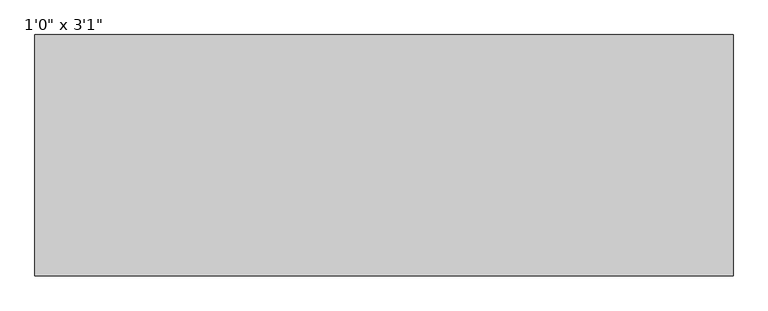
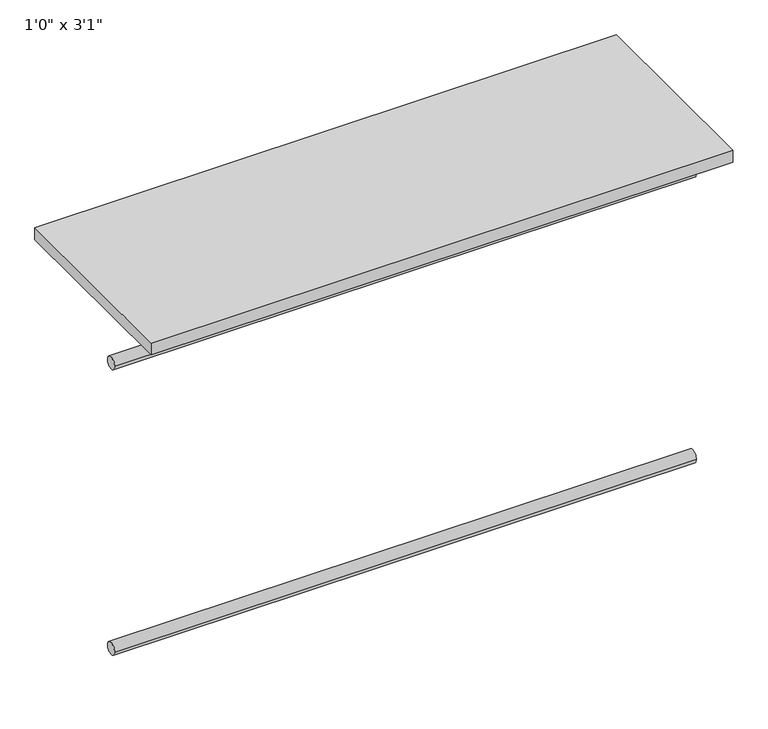
"""IFC4 building model written with IfcOpenShell, lengths in millimetres: furniture geometry."""

from ifc_helpers import new_model, si_unit, point, frame, frame_2d, origin, origin_with_axes, place, context, project, spatial, polyline, circle_curve, trimmed, segment, composite_curve, outline, extrude, source, transform, mapped, element, save


def furniture_935de87b(model_context):
    return source(origin(), model_context, "Body", "SweptSolid", [
        extrude(outline(composite_curve([segment(trimmed(circle_curve(frame_2d((342.9, -711.2)), 12.7), [point((330.2, -711.2))], [point((355.6, -711.2))], False, "CARTESIAN"), True, "CONTINUOUS"), segment(trimmed(circle_curve(frame_2d((342.9, -711.2)), 12.7), [point((355.6, -711.2))], [point((330.2, -711.2))], False, "CARTESIAN"), True, "CONTINUOUS")], self_intersect=False)), frame((-568.8928708, 0.0, 0.0), z_axis=(1.0, 0.0, 0.0), x_axis=(0.0, 1.0, 0.0)), (0.0, 0.0, 1.0), 1175.2611515),
        extrude(outline(composite_curve([segment(trimmed(circle_curve(frame_2d((342.9, -101.6)), 12.7), [point((330.2, -101.6))], [point((355.6, -101.6))], False, "CARTESIAN"), True, "CONTINUOUS"), segment(trimmed(circle_curve(frame_2d((342.9, -101.6)), 12.7), [point((355.6, -101.6))], [point((330.2, -101.6))], False, "CARTESIAN"), True, "CONTINUOUS")], self_intersect=False)), frame((-568.8928708, 0.0, 0.0), z_axis=(1.0, 0.0, 0.0), x_axis=(0.0, 1.0, 0.0)), (0.0, 0.0, 1.0), 1175.2611515),
        extrude(outline(polyline([(606.3682806, 203.2), (-568.8928708, 203.2), (-568.8928708, 609.6), (606.3682806, 609.6), (606.3682806, 203.2)])), origin_with_axes(), (0.0, 0.0, 1.0), 25.4),
    ])


if __name__ == "__main__":
    model = new_model("IFC4")
    model_context = context("Model", 3, world=origin())
    ifc_project = project(units=[si_unit("LENGTHUNIT", "METRE", prefix="MILLI")], contexts=[model_context])
    site = spatial("IfcSite", under=ifc_project)
    building = spatial("IfcBuilding", under=site)
    placement = place(None, origin())
    furniture_shape = furniture_935de87b(model_context)
    element("IfcFurniture", 1, ObjectType="1'0\" x 3'1\"", at=placement, inside=building, context=model_context, shape_type="MappedRepresentation", body=[
        mapped(furniture_shape, transform((0.0, 0.0, 0.0), x_axis=(1.0, 0.0, 0.0), y_axis=(0.0, 1.0, 0.0), z_axis=(0.0, 0.0, 1.0))),
    ])
    save(model, "model.ifc")
